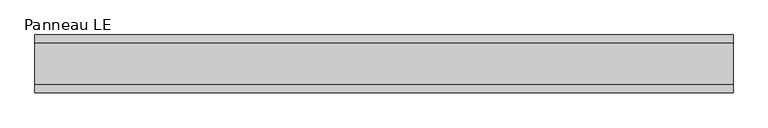
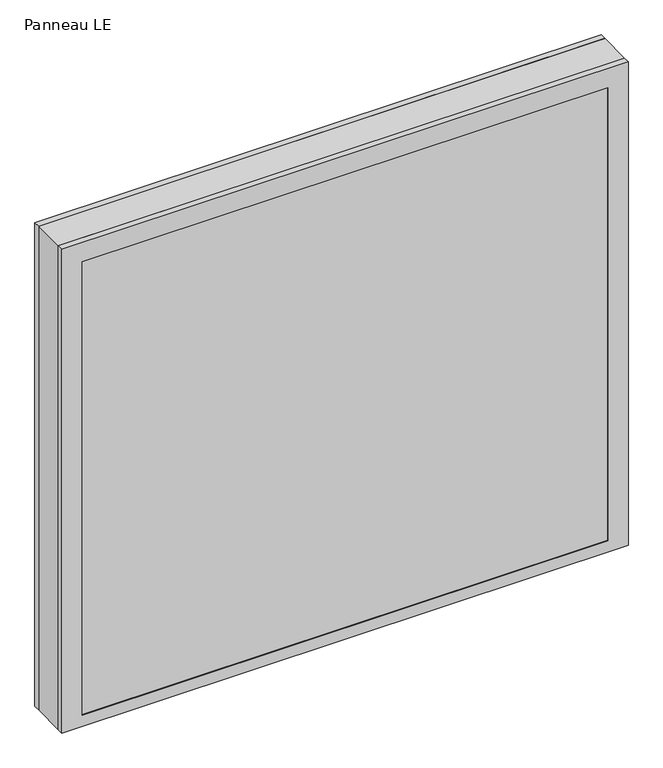
"""IFC4 building model written with IfcOpenShell, lengths in millimetres: plate geometry, Panneau LE."""

from ifc_helpers import new_model, si_unit, frame, origin, place, context, project, spatial, polyline, outline, extrude, faceted_brep, source, transform, mapped, element, save


def panneau_le_d56fd1ee(model_context):
    return source(origin(), model_context, "Body", "SolidModel", [
        faceted_brep([(-544.8750001, 33.0, 983.5), (-544.8750001, 45.0, 983.5), (-544.8750001, 45.0, 0.0), (-544.8750001, 33.0, 0.0), (544.8750001, 33.0, 0.0), (544.8750001, 45.0, 0.0), (544.8750001, 45.0, 983.5), (544.8750001, 33.0, 983.5), (-505.8750001, 45.0, 944.5), (-505.8750001, 45.0, 23.0), (505.8750001, 45.0, 23.0), (505.8750001, 45.0, 944.5), (505.8750001, 43.8, 944.5), (-505.8750001, 43.8, 944.5), (-520.8750001, 43.8, 959.5), (-520.8750001, 43.8, 8.0), (520.8750001, 43.8, 8.0), (520.8750001, 43.8, 959.5), (505.8750001, 43.8, 23.0), (-505.8750001, 43.8, 23.0), (520.8750001, 33.0, 959.5), (-520.8750001, 33.0, 959.5), (520.8750001, 33.0, 8.0), (-520.8750001, 33.0, 8.0)], [[[0, 1, 2, 3]], [[4, 5, 6, 7]], [[6, 1, 0, 7]], [[2, 1, 6, 5], [8, 9, 10, 11]], [[8, 11, 12, 13]], [[14, 15, 16, 17], [13, 12, 18, 19]], [[14, 17, 20, 21]], [[0, 3, 4, 7], [20, 22, 23, 21]], [[23, 22, 16, 15]], [[19, 18, 10, 9]], [[4, 3, 2, 5]], [[21, 23, 15, 14]], [[13, 19, 9, 8]], [[18, 12, 11, 10]], [[22, 20, 17, 16]]]),
        faceted_brep([(-544.8750001, -33.0, 0.0), (-544.8750001, -45.0, 0.0), (-544.8750001, -45.0, 983.5), (-544.8750001, -33.0, 983.5), (544.8750001, -45.0, 0.0), (544.8750001, -33.0, 0.0), (544.8750001, -33.0, 983.5), (544.8750001, -45.0, 983.5), (505.8750001, -45.0, 944.5), (505.8750001, -45.0, 23.0), (-505.8750001, -45.0, 23.0), (-505.8750001, -45.0, 944.5), (-520.8750001, -33.0, 959.5), (-520.8750001, -33.0, 8.0), (520.8750001, -33.0, 8.0), (520.8750001, -33.0, 959.5), (520.8750001, -43.8, 959.5), (-520.8750001, -43.8, 959.5), (520.8750001, -43.8, 8.0), (-520.8750001, -43.8, 8.0), (-505.8750001, -43.8, 944.5), (-505.8750001, -43.8, 23.0), (505.8750001, -43.8, 23.0), (505.8750001, -43.8, 944.5)], [[[0, 1, 2, 3]], [[4, 5, 6, 7]], [[2, 1, 4, 7], [8, 9, 10, 11]], [[6, 3, 2, 7]], [[0, 3, 6, 5], [12, 13, 14, 15]], [[12, 15, 16, 17]], [[17, 16, 18, 19], [20, 21, 22, 23]], [[8, 11, 20, 23]], [[10, 9, 22, 21]], [[19, 18, 14, 13]], [[4, 1, 0, 5]], [[11, 10, 21, 20]], [[17, 19, 13, 12]], [[18, 16, 15, 14]], [[9, 8, 23, 22]]]),
        extrude(outline(polyline([(983.5, 544.8750001), (983.5, -544.8750001), (0.0, -544.8750001), (0.0, 544.8750001), (983.5, 544.8750001)]), holes=[polyline([(30.0, -504.8750001), (937.5, -504.8750001), (937.5, 504.8750001), (30.0, 504.8750001), (30.0, -504.8750001)])]), frame((0.0, -33.0, 0.0), z_axis=(0.0, 1.0, 0.0), x_axis=(0.0, 0.0, 1.0)), (0.0, 0.0, 1.0), 66.0),
        extrude(outline(polyline([(520.8750001, 37.8), (-520.8750001, 37.8), (-520.8750001, 43.8), (520.8750001, 43.8), (520.8750001, 37.8)])), frame((0.0, 0.0, 8.0), z_axis=(0.0, 0.0, 1.0), x_axis=(1.0, 0.0, 0.0)), (0.0, 0.0, 1.0), 951.5),
        extrude(outline(polyline([(-520.8750001, -43.8), (-520.8750001, -37.8), (520.8750001, -37.8), (520.8750001, -43.8), (-520.8750001, -43.8)])), frame((0.0, 0.0, 8.0), z_axis=(0.0, 0.0, 1.0), x_axis=(1.0, 0.0, 0.0)), (0.0, 0.0, 1.0), 951.5),
    ])


if __name__ == "__main__":
    model = new_model("IFC4")
    model_context = context("Model", 3, world=origin())
    ifc_project = project(units=[si_unit("LENGTHUNIT", "METRE", prefix="MILLI")], contexts=[model_context])
    site = spatial("IfcSite", under=ifc_project)
    building = spatial("IfcBuilding", under=site)
    placement = place(None, origin())
    panneau_le_shape = panneau_le_d56fd1ee(model_context)
    element("IfcPlate", 1, ObjectType="Panneau LE", at=placement, inside=building, context=model_context, shape_type="MappedRepresentation", body=[
        mapped(panneau_le_shape, transform((0.0, 0.0, 0.0), x_axis=(1.0, 0.0, 0.0), y_axis=(0.0, 1.0, 0.0), z_axis=(0.0, 0.0, 1.0))),
    ])
    save(model, "model.ifc")
